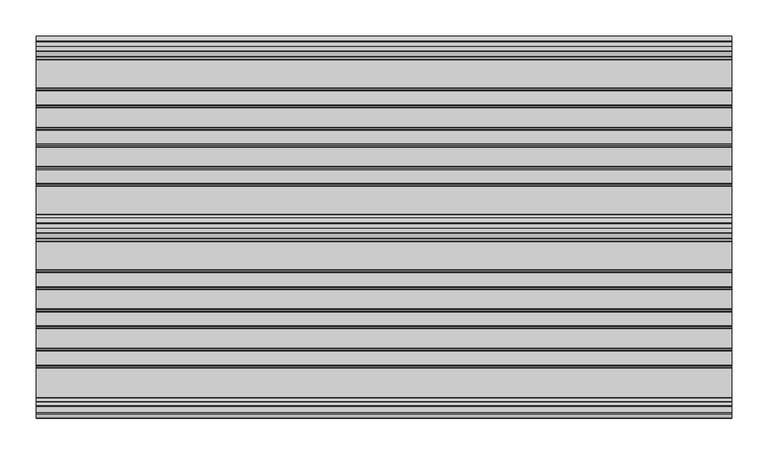
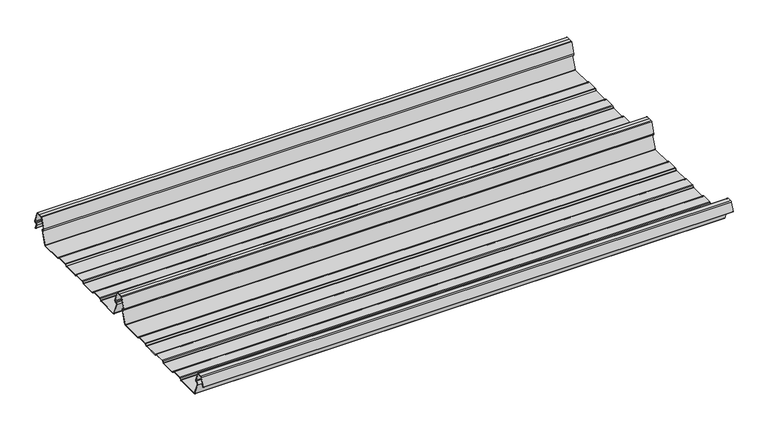
"""IFC4 building model written with IfcOpenShell, lengths in millimetres: beam geometry."""

import ifcopenshell
import ifcopenshell.guid

model = None  # the IFC model being written
_history = None  # IfcOwnerHistory: only IFC2X3 demands one
_inside = {}  # id of a spatial element -> (the spatial element, [elements in it])
_under = {}  # id of a project, library or spatial element -> (it, [spatial elements below it])
_declared = {}  # id of a project -> (the project, [libraries it declares])
_typed = {}  # id of a type object -> (the type object, [elements of that type])
_made_of = {}  # id of a material, layer set ... -> (it, [elements and type objects made of it])


def new_model(schema):
    """Start an empty IFC model of exactly this schema.

    Asked for "IFC4X3", IfcOpenShell would pick the latest addendum, in which some entities
    have other attributes; the version numbers below select the first issue.
    IFC2X3 requires an IfcOwnerHistory on every rooted entity: one is made here for all.
    """
    global model, _history
    if schema == "IFC4X3":
        model = ifcopenshell.file(schema_version=(4, 3, 0, 0))
    else:
        model = ifcopenshell.file(schema=schema)
    _inside.clear()
    _under.clear()
    _declared.clear()
    _typed.clear()
    _made_of.clear()
    _history = None
    if model.schema == "IFC2X3":
        org = make("IfcOrganization", Name="unknown")
        user = make(
            "IfcPersonAndOrganization",
            ThePerson=make("IfcPerson", FamilyName="unknown"),
            TheOrganization=org,
        )
        app = make(
            "IfcApplication",
            ApplicationDeveloper=org,
            Version="unknown",
            ApplicationFullName="unknown",
            ApplicationIdentifier="unknown",
        )
        _history = make(
            "IfcOwnerHistory",
            OwningUser=user,
            OwningApplication=app,
            ChangeAction="ADDED",
            CreationDate=0,
        )
    return model


def make(cls, **values):
    """One entity of the class cls with the attributes given. An attribute that is None is left unset."""
    return model.create_entity(
        cls, **{name: value for name, value in values.items() if value is not None}
    )


def rooted(cls, **values):
    """An entity with a GlobalId (a new one), such as an element, a storey or a relation."""
    return make(cls, GlobalId=ifcopenshell.guid.new(), OwnerHistory=_history, **values)


def si_unit(unit_type, name, prefix=None):
    """IfcSIUnit, for example si_unit("LENGTHUNIT", "METRE", prefix="MILLI")."""
    return make("IfcSIUnit", UnitType=unit_type, Prefix=prefix, Name=name)


def assignment(units):
    """IfcUnitAssignment: the units of a project."""
    return None if units is None else make("IfcUnitAssignment", Units=units)


def point(xyz):
    """IfcCartesianPoint."""
    return None if xyz is None else make("IfcCartesianPoint", Coordinates=xyz)


def direction(xyz):
    """IfcDirection."""
    return None if xyz is None else make("IfcDirection", DirectionRatios=xyz)


def frame(location, z_axis=None, x_axis=None):
    """IfcAxis2Placement3D, a coordinate frame: its origin and axes. An axis left out is left unset."""
    return make(
        "IfcAxis2Placement3D",
        Location=point(location),
        Axis=direction(z_axis),
        RefDirection=direction(x_axis),
    )


def frame_2d(location, x_axis=None):
    """IfcAxis2Placement2D, a coordinate frame in the plane: its origin and x axis."""
    return make(
        "IfcAxis2Placement2D", Location=point(location), RefDirection=direction(x_axis)
    )


def origin():
    """The frame at (0, 0, 0) with its axes left unset."""
    return frame((0.0, 0.0, 0.0))


def place(relative_to, where):
    """IfcLocalPlacement: puts the frame where relative to a parent placement (None: the world)."""
    return make(
        "IfcLocalPlacement", PlacementRelTo=relative_to, RelativePlacement=where
    )


def context(
    kind, dimensions, precision=None, world=None, true_north=None, identifier=None
):
    """IfcGeometricRepresentationContext, for example the 3D "Model" context."""
    return make(
        "IfcGeometricRepresentationContext",
        ContextIdentifier=identifier,
        ContextType=kind,
        CoordinateSpaceDimension=dimensions,
        Precision=precision,
        WorldCoordinateSystem=world,
        TrueNorth=true_north,
    )


def project(units=None, contexts=None):
    """IfcProject with its units and contexts."""
    return rooted(
        "IfcProject",
        Name="project",
        RepresentationContexts=contexts,
        UnitsInContext=assignment(units),
    )


def spatial(cls, under=None, at=None, **own):
    """A site, building, storey or space (cls), placed at a placement, below another one or the project."""
    s = rooted(cls, ObjectPlacement=at, **own)
    if under is not None:
        _under.setdefault(under.id(), (under, []))[1].append(s)
    return s


def polyline(points):
    """IfcPolyline through the points."""
    return make("IfcPolyline", Points=[point(p) for p in points])


def circle_curve(where, radius):
    """IfcCircle in the frame where."""
    return make("IfcCircle", Position=where, Radius=radius)


def trimmed(basis, trim1, trim2, sense, master):
    """IfcTrimmedCurve: the piece of a basis curve between two trims."""
    return make(
        "IfcTrimmedCurve",
        BasisCurve=basis,
        Trim1=trim1,
        Trim2=trim2,
        SenseAgreement=sense,
        MasterRepresentation=master,
    )


def segment(curve, same_sense, transition):
    """IfcCompositeCurveSegment."""
    return make(
        "IfcCompositeCurveSegment",
        Transition=transition,
        SameSense=same_sense,
        ParentCurve=curve,
    )


def composite_curve(segments, self_intersect=None):
    """IfcCompositeCurve: segments joined end to end."""
    return make("IfcCompositeCurve", Segments=segments, SelfIntersect=self_intersect)


def outline(outer, holes=None, kind="AREA"):
    """IfcArbitraryClosedProfileDef: a profile drawn as a closed curve; with holes, ...WithVoids."""
    if holes is None:
        return make("IfcArbitraryClosedProfileDef", ProfileType=kind, OuterCurve=outer)
    return make(
        "IfcArbitraryProfileDefWithVoids",
        ProfileType=kind,
        OuterCurve=outer,
        InnerCurves=holes,
    )


def extrude(swept, where, along, depth):
    """IfcExtrudedAreaSolid: the profile swept, set in the frame where, extruded along a direction by depth."""
    return make(
        "IfcExtrudedAreaSolid",
        SweptArea=swept,
        Position=where,
        ExtrudedDirection=direction(along),
        Depth=depth,
    )


def shape(context_of_items, identifier, shape_type, items):
    """IfcShapeRepresentation: the items that make up one representation, for example the "Body"."""
    return make(
        "IfcShapeRepresentation",
        ContextOfItems=context_of_items,
        RepresentationIdentifier=identifier,
        RepresentationType=shape_type,
        Items=items,
    )


def source(mapping_origin, context_of_items, identifier, shape_type, items):
    """IfcRepresentationMap: a shape defined once, which mapped items show again and again."""
    return make(
        "IfcRepresentationMap",
        MappingOrigin=mapping_origin,
        MappedRepresentation=shape(context_of_items, identifier, shape_type, items),
    )


def transform(
    local_origin,
    x_axis=None,
    y_axis=None,
    z_axis=None,
    scale=None,
    scale2=None,
    scale3=None,
    uniform=True,
):
    """IfcCartesianTransformationOperator3D, or its non-uniform kind. x_axis, y_axis, z_axis: its Axis1, 2, 3."""
    if uniform:
        return make(
            "IfcCartesianTransformationOperator3D",
            Axis1=direction(x_axis),
            Axis2=direction(y_axis),
            LocalOrigin=point(local_origin),
            Scale=scale,
            Axis3=direction(z_axis),
        )
    return make(
        "IfcCartesianTransformationOperator3DnonUniform",
        Axis1=direction(x_axis),
        Axis2=direction(y_axis),
        LocalOrigin=point(local_origin),
        Scale=scale,
        Axis3=direction(z_axis),
        Scale2=scale2,
        Scale3=scale3,
    )


def mapped(mapping_source, mapping_target):
    """IfcMappedItem: shows the shape of a source again, moved by a transform."""
    return make(
        "IfcMappedItem", MappingSource=mapping_source, MappingTarget=mapping_target
    )


def made_of(thing, what):
    """Note that an element or type object is made of a material, layer set ...; save() writes the relation."""
    if what is not None:
        _made_of.setdefault(what.id(), (what, []))[1].append(thing)
    return thing


def element(
    cls,
    number,
    at=None,
    inside=None,
    cuts=None,
    type_object=None,
    material=None,
    context=None,
    identifier="Body",
    shape_type=None,
    held_by="IfcProductDefinitionShape",
    body=None,
    shapes=None,
    **own,
):
    """One element of the class cls, such as IfcWall. Its Tag is "e" and its number.

    at: its placement. inside: the storey or other place that contains it. cuts: it is an
    opening in that element (IfcRelVoidsElement). A single representation is given by context,
    identifier, shape_type and body (its items); several are given by shapes. held_by: the class
    of the entity that holds the representations. save() writes the other relations.
    """
    e = rooted(cls, Tag="e%d" % number, ObjectPlacement=at, **own)
    if body is not None:
        shapes = [shape(context, identifier, shape_type, body)]
    if shapes is not None:
        e.Representation = make(held_by, Representations=shapes)
    if inside is not None:
        _inside.setdefault(inside.id(), (inside, []))[1].append(e)
    if cuts is not None:
        rooted(
            "IfcRelVoidsElement", RelatingBuildingElement=cuts, RelatedOpeningElement=e
        )
    if type_object is not None:
        _typed.setdefault(type_object.id(), (type_object, []))[1].append(e)
    return made_of(e, material)


def aggregate(whole, parts):
    """IfcRelAggregates: a whole, such as a stair, and the parts it consists of."""
    return rooted("IfcRelAggregates", RelatingObject=whole, RelatedObjects=parts)


def save(model, path):
    """Write the relations noted so far, then the file.

    IfcRelAggregates (storeys below a building ...), IfcRelContainedInSpatialStructure (elements
    in a storey), IfcRelDefinesByType, IfcRelAssociatesMaterial and IfcRelDeclares: one each for
    every whole, place, type object, material and project.
    """
    for whole, parts in _under.values():
        aggregate(whole, parts)
    for where, things in _inside.values():
        rooted(
            "IfcRelContainedInSpatialStructure",
            RelatedElements=things,
            RelatingStructure=where,
        )
    for kind, things in _typed.values():
        rooted("IfcRelDefinesByType", RelatedObjects=things, RelatingType=kind)
    for what, things in _made_of.values():
        rooted("IfcRelAssociatesMaterial", RelatedObjects=things, RelatingMaterial=what)
    for by, libraries in _declared.values():
        rooted("IfcRelDeclares", RelatingContext=by, RelatedDefinitions=libraries)
    model.write(path)


def beam_41f9361e(model_context):
    return source(origin(), model_context, "Body", "SweptSolid", [
        extrude(outline(composite_curve([segment(trimmed(circle_curve(frame_2d((-231.1362436, -24.0396475)), 1.75), [point((-231.1362436, -25.7896475))], [point((-232.7807057, -24.6381827))], False, "CARTESIAN"), True, "CONTINUOUS"), segment(polyline([(-232.7807057, -24.6381827), (-241.6888002, -2.1633943)]), True, "CONTINUOUS"), segment(trimmed(circle_curve(frame_2d((-240.0443381, -1.5648591)), 1.75), [point((-241.6888002, -2.1633943))], [point((-240.4972714, 0.1255111))], False, "CARTESIAN"), True, "CONTINUOUS"), segment(polyline([(-240.4972714, 0.1255111), (-237.8419476, 0.837003)]), True, "CONTINUOUS"), segment(trimmed(circle_curve(frame_2d((-238.1654714, 2.0444103)), 1.25), [point((-237.8419476, 0.837003))], [point((-236.9908556, 2.4719355))], True, "CARTESIAN"), True, "CONTINUOUS"), segment(polyline([(-236.9908556, 2.4719355), (-243.8110817, 21.2103525), (-250.0, 21.2103525), (-256.1889183, 21.2103525), (-263.0091444, 2.4719355)]), True, "CONTINUOUS"), segment(trimmed(circle_curve(frame_2d((-261.8345286, 2.0444103)), 1.25), [point((-263.0091444, 2.4719355))], [point((-262.1580524, 0.837003))], True, "CARTESIAN"), True, "CONTINUOUS"), segment(polyline([(-262.1580524, 0.837003), (-259.5027286, 0.1255111)]), True, "CONTINUOUS"), segment(trimmed(circle_curve(frame_2d((-259.9556619, -1.5648591)), 1.75), [point((-259.5027286, 0.1255111))], [point((-258.3111998, -2.1633943))], False, "CARTESIAN"), True, "CONTINUOUS"), segment(polyline([(-258.3111998, -2.1633943), (-267.2192943, -24.6381827)]), True, "CONTINUOUS"), segment(trimmed(circle_curve(frame_2d((-268.8637564, -24.0396475)), 1.75), [point((-267.2192943, -24.6381827))], [point((-268.8637564, -25.7896475))], False, "CARTESIAN"), True, "CONTINUOUS"), segment(polyline([(-268.8637564, -25.7896475), (-307.3786797, -25.7896475)]), True, "CONTINUOUS"), segment(trimmed(circle_curve(frame_2d((-307.3786797, -24.0396475)), 1.75), [point((-307.3786797, -25.7896475))], [point((-308.6161165, -25.2770843))], False, "CARTESIAN"), True, "CONTINUOUS"), segment(polyline([(-308.6161165, -25.2770843), (-310.7788845, -23.1143163)]), True, "CONTINUOUS"), segment(trimmed(circle_curve(frame_2d((-311.5627045, -23.8981363)), 1.1084889), [point((-310.7788845, -23.1143163))], [point((-311.5627045, -22.7896475))], True, "CARTESIAN"), True, "CONTINUOUS"), segment(polyline([(-311.5627045, -22.7896475), (-330.4372955, -22.7896475)]), True, "CONTINUOUS"), segment(trimmed(circle_curve(frame_2d((-330.4372955, -23.8981363)), 1.1084889), [point((-330.4372955, -22.7896475))], [point((-331.2211155, -23.1143163))], True, "CARTESIAN"), True, "CONTINUOUS"), segment(polyline([(-331.2211155, -23.1143163), (-333.3838835, -25.2770843)]), True, "CONTINUOUS"), segment(trimmed(circle_curve(frame_2d((-334.6213203, -24.0396475)), 1.75), [point((-333.3838835, -25.2770843))], [point((-334.6213203, -25.7896475))], False, "CARTESIAN"), True, "CONTINUOUS"), segment(polyline([(-334.6213203, -25.7896475), (-361.3786797, -25.7896475)]), True, "CONTINUOUS"), segment(trimmed(circle_curve(frame_2d((-361.3786797, -24.0396475)), 1.75), [point((-361.3786797, -25.7896475))], [point((-362.6161165, -25.2770843))], False, "CARTESIAN"), True, "CONTINUOUS"), segment(polyline([(-362.6161165, -25.2770843), (-364.7788845, -23.1143163)]), True, "CONTINUOUS"), segment(trimmed(circle_curve(frame_2d((-365.5627045, -23.8981363)), 1.1084889), [point((-364.7788845, -23.1143163))], [point((-365.5627045, -22.7896475))], True, "CARTESIAN"), True, "CONTINUOUS"), segment(polyline([(-365.5627045, -22.7896475), (-384.4372955, -22.7896475)]), True, "CONTINUOUS"), segment(trimmed(circle_curve(frame_2d((-384.4372955, -23.8981363)), 1.1084889), [point((-384.4372955, -22.7896475))], [point((-385.2211155, -23.1143163))], True, "CARTESIAN"), True, "CONTINUOUS"), segment(polyline([(-385.2211155, -23.1143163), (-387.3838835, -25.2770843)]), True, "CONTINUOUS"), segment(trimmed(circle_curve(frame_2d((-388.6213203, -24.0396475)), 1.75), [point((-387.3838835, -25.2770843))], [point((-388.6213203, -25.7896475))], False, "CARTESIAN"), True, "CONTINUOUS"), segment(polyline([(-388.6213203, -25.7896475), (-415.3786797, -25.7896475)]), True, "CONTINUOUS"), segment(trimmed(circle_curve(frame_2d((-415.3786797, -24.0396475)), 1.75), [point((-415.3786797, -25.7896475))], [point((-416.6161165, -25.2770843))], False, "CARTESIAN"), True, "CONTINUOUS"), segment(polyline([(-416.6161165, -25.2770843), (-418.7788845, -23.1143163)]), True, "CONTINUOUS"), segment(trimmed(circle_curve(frame_2d((-419.5627045, -23.8981363)), 1.1084889), [point((-418.7788845, -23.1143163))], [point((-419.5627045, -22.7896475))], True, "CARTESIAN"), True, "CONTINUOUS"), segment(polyline([(-419.5627045, -22.7896475), (-438.4372955, -22.7896475)]), True, "CONTINUOUS"), segment(trimmed(circle_curve(frame_2d((-438.4372955, -23.8981363)), 1.1084889), [point((-438.4372955, -22.7896475))], [point((-439.2211155, -23.1143163))], True, "CARTESIAN"), True, "CONTINUOUS"), segment(polyline([(-439.2211155, -23.1143163), (-441.3838835, -25.2770843)]), True, "CONTINUOUS"), segment(trimmed(circle_curve(frame_2d((-442.6213203, -24.0396475)), 1.75), [point((-441.3838835, -25.2770843))], [point((-442.6213203, -25.7896475))], False, "CARTESIAN"), True, "CONTINUOUS"), segment(polyline([(-442.6213203, -25.7896475), (-483.287616, -25.7896475)]), True, "CONTINUOUS"), segment(trimmed(circle_curve(frame_2d((-483.287616, -24.0396475)), 1.75), [point((-483.287616, -25.7896475))], [point((-484.8955882, -24.7302452))], False, "CARTESIAN"), True, "CONTINUOUS"), segment(polyline([(-484.8955882, -24.7302452), (-493.5565428, -2.8789816)]), True, "CONTINUOUS"), segment(trimmed(circle_curve(frame_2d((-490.0443381, -1.5648591)), 3.75), [point((-493.5565428, -2.8789816))], [point((-490.3464639, 2.1729504))], False, "CARTESIAN"), True, "CONTINUOUS"), segment(trimmed(circle_curve(frame_2d((-490.426413, 3.162057)), 0.9923325), [point((-490.3464639, 2.1729504))], [point((-489.4939255, 3.5014547))], True, "CARTESIAN"), True, "CONTINUOUS"), segment(polyline([(-489.4939255, 3.5014547), (-494.9720116, 18.5523727)]), True, "CONTINUOUS"), segment(trimmed(circle_curve(frame_2d((-495.9117043, 18.2103525)), 1.0), [point((-494.9720116, 18.5523727))], [point((-495.9117043, 19.2103525))], True, "CARTESIAN"), True, "CONTINUOUS"), segment(polyline([(-495.9117043, 19.2103525), (-504.0882957, 19.2103525)]), True, "CONTINUOUS"), segment(trimmed(circle_curve(frame_2d((-504.0882957, 18.2103525)), 1.0), [point((-504.0882957, 19.2103525))], [point((-505.0279884, 18.5523727))], True, "CARTESIAN"), True, "CONTINUOUS"), segment(polyline([(-505.0279884, 18.5523727), (-510.4799156, 3.5733257)]), True, "CONTINUOUS"), segment(trimmed(circle_curve(frame_2d((-510.9497619, 3.7443357)), 0.5), [point((-510.4799156, 3.5733257))], [point((-511.4196082, 3.9153458))], False, "CARTESIAN"), True, "CONTINUOUS"), segment(polyline([(-511.4196082, 3.9153458), (-505.967681, 18.8943928)]), True, "CONTINUOUS"), segment(trimmed(circle_curve(frame_2d((-504.0882957, 18.2103525)), 2.0), [point((-505.967681, 18.8943928))], [point((-504.0882957, 20.2103525))], False, "CARTESIAN"), True, "CONTINUOUS"), segment(polyline([(-504.0882957, 20.2103525), (-495.9117043, 20.2103525)]), True, "CONTINUOUS"), segment(trimmed(circle_curve(frame_2d((-495.9117043, 18.2103525)), 2.0), [point((-495.9117043, 20.2103525))], [point((-494.032319, 18.8943928))], False, "CARTESIAN"), True, "CONTINUOUS"), segment(polyline([(-494.032319, 18.8943928), (-488.5542329, 3.8434749)]), True, "CONTINUOUS"), segment(trimmed(circle_curve(frame_2d((-490.426413, 3.162057)), 1.9923325), [point((-488.5542329, 3.8434749))], [point((-490.265897, 1.1762012))], False, "CARTESIAN"), True, "CONTINUOUS"), segment(trimmed(circle_curve(frame_2d((-490.0443381, -1.5648591)), 2.75), [point((-490.265897, 1.1762012))], [point((-492.6230664, -2.5201915))], True, "CARTESIAN"), True, "CONTINUOUS"), segment(polyline([(-492.6230664, -2.5201915), (-483.9722515, -24.3458733)]), True, "CONTINUOUS"), segment(trimmed(circle_curve(frame_2d((-483.287616, -24.0396475)), 0.75), [point((-483.9722515, -24.3458733))], [point((-483.287616, -24.7896475))], True, "CARTESIAN"), True, "CONTINUOUS"), segment(polyline([(-483.287616, -24.7896475), (-442.7420401, -24.7896475)]), True, "CONTINUOUS"), segment(trimmed(circle_curve(frame_2d((-442.7420401, -23.7482041)), 1.0414433), [point((-442.7420401, -24.7896475))], [point((-442.0056285, -24.4846158))], True, "CARTESIAN"), True, "CONTINUOUS"), segment(polyline([(-442.0056285, -24.4846158), (-439.9696699, -22.4486572)]), True, "CONTINUOUS"), segment(trimmed(circle_curve(frame_2d((-438.3786797, -24.0396475)), 2.25), [point((-439.9696699, -22.4486572))], [point((-438.3786797, -21.7896475))], False, "CARTESIAN"), True, "CONTINUOUS"), segment(polyline([(-438.3786797, -21.7896475), (-419.6213203, -21.7896475)]), True, "CONTINUOUS"), segment(trimmed(circle_curve(frame_2d((-419.6213203, -24.0396475)), 2.25), [point((-419.6213203, -21.7896475))], [point((-418.0303301, -22.4486572))], False, "CARTESIAN"), True, "CONTINUOUS"), segment(polyline([(-418.0303301, -22.4486572), (-415.9943715, -24.4846158)]), True, "CONTINUOUS"), segment(trimmed(circle_curve(frame_2d((-415.2579599, -23.7482041)), 1.0414433), [point((-415.9943715, -24.4846158))], [point((-415.2579599, -24.7896475))], True, "CARTESIAN"), True, "CONTINUOUS"), segment(polyline([(-415.2579599, -24.7896475), (-388.7420401, -24.7896475)]), True, "CONTINUOUS"), segment(trimmed(circle_curve(frame_2d((-388.7420401, -23.7482041)), 1.0414433), [point((-388.7420401, -24.7896475))], [point((-388.0056285, -24.4846158))], True, "CARTESIAN"), True, "CONTINUOUS"), segment(polyline([(-388.0056285, -24.4846158), (-385.9696699, -22.4486572)]), True, "CONTINUOUS"), segment(trimmed(circle_curve(frame_2d((-384.3786797, -24.0396475)), 2.25), [point((-385.9696699, -22.4486572))], [point((-384.3786797, -21.7896475))], False, "CARTESIAN"), True, "CONTINUOUS"), segment(polyline([(-384.3786797, -21.7896475), (-365.6213203, -21.7896475)]), True, "CONTINUOUS"), segment(trimmed(circle_curve(frame_2d((-365.6213203, -24.0396475)), 2.25), [point((-365.6213203, -21.7896475))], [point((-364.0303301, -22.4486572))], False, "CARTESIAN"), True, "CONTINUOUS"), segment(polyline([(-364.0303301, -22.4486572), (-361.9943715, -24.4846158)]), True, "CONTINUOUS"), segment(trimmed(circle_curve(frame_2d((-361.2579599, -23.7482041)), 1.0414433), [point((-361.9943715, -24.4846158))], [point((-361.2579599, -24.7896475))], True, "CARTESIAN"), True, "CONTINUOUS"), segment(polyline([(-361.2579599, -24.7896475), (-334.7420401, -24.7896475)]), True, "CONTINUOUS"), segment(trimmed(circle_curve(frame_2d((-334.7420401, -23.7482041)), 1.0414433), [point((-334.7420401, -24.7896475))], [point((-334.0056285, -24.4846158))], True, "CARTESIAN"), True, "CONTINUOUS"), segment(polyline([(-334.0056285, -24.4846158), (-331.9696699, -22.4486572)]), True, "CONTINUOUS"), segment(trimmed(circle_curve(frame_2d((-330.3786797, -24.0396475)), 2.25), [point((-331.9696699, -22.4486572))], [point((-330.3786797, -21.7896475))], False, "CARTESIAN"), True, "CONTINUOUS"), segment(polyline([(-330.3786797, -21.7896475), (-311.6213203, -21.7896475)]), True, "CONTINUOUS"), segment(trimmed(circle_curve(frame_2d((-311.6213203, -24.0396475)), 2.25), [point((-311.6213203, -21.7896475))], [point((-310.0303301, -22.4486572))], False, "CARTESIAN"), True, "CONTINUOUS"), segment(polyline([(-310.0303301, -22.4486572), (-307.9943715, -24.4846158)]), True, "CONTINUOUS"), segment(trimmed(circle_curve(frame_2d((-307.2579599, -23.7482041)), 1.0414433), [point((-307.9943715, -24.4846158))], [point((-307.2579599, -24.7896475))], True, "CARTESIAN"), True, "CONTINUOUS"), segment(polyline([(-307.2579599, -24.7896475), (-268.8637564, -24.7896475)]), True, "CONTINUOUS"), segment(trimmed(circle_curve(frame_2d((-268.8637564, -24.0396475)), 0.75), [point((-268.8637564, -24.7896475))], [point((-268.1552359, -24.2856122))], True, "CARTESIAN"), True, "CONTINUOUS"), segment(polyline([(-268.1552359, -24.2856122), (-259.2471414, -1.8108238)]), True, "CONTINUOUS"), segment(trimmed(circle_curve(frame_2d((-259.9556619, -1.5648591)), 0.75), [point((-259.2471414, -1.8108238))], [point((-259.7615476, -0.8404147))], True, "CARTESIAN"), True, "CONTINUOUS"), segment(polyline([(-259.7615476, -0.8404147), (-262.4168715, -0.1289228)]), True, "CONTINUOUS"), segment(trimmed(circle_curve(frame_2d((-261.8345286, 2.0444103)), 2.25), [point((-262.4168715, -0.1289228))], [point((-263.948837, 2.8139556))], False, "CARTESIAN"), True, "CONTINUOUS"), segment(polyline([(-263.948837, 2.8139556), (-257.1273286, 21.5558959)]), True, "CONTINUOUS"), segment(trimmed(circle_curve(frame_2d((-256.1926676, 21.2157071)), 0.9946455), [point((-257.1273286, 21.5558959))], [point((-256.1926676, 22.2103525))], False, "CARTESIAN"), True, "CONTINUOUS"), segment(polyline([(-256.1926676, 22.2103525), (-250.0, 22.2103525), (-243.8073324, 22.2103525)]), True, "CONTINUOUS"), segment(trimmed(circle_curve(frame_2d((-243.8073324, 21.2157071)), 0.9946455), [point((-243.8073324, 22.2103525))], [point((-242.8726714, 21.5558959))], False, "CARTESIAN"), True, "CONTINUOUS"), segment(polyline([(-242.8726714, 21.5558959), (-236.051163, 2.8139556)]), True, "CONTINUOUS"), segment(trimmed(circle_curve(frame_2d((-238.1654714, 2.0444103)), 2.25), [point((-236.051163, 2.8139556))], [point((-237.5831285, -0.1289228))], False, "CARTESIAN"), True, "CONTINUOUS"), segment(polyline([(-237.5831285, -0.1289228), (-240.2384524, -0.8404147)]), True, "CONTINUOUS"), segment(trimmed(circle_curve(frame_2d((-240.0443381, -1.5648591)), 0.75), [point((-240.2384524, -0.8404147))], [point((-240.7528586, -1.8108238))], True, "CARTESIAN"), True, "CONTINUOUS"), segment(polyline([(-240.7528586, -1.8108238), (-231.8447641, -24.2856122)]), True, "CONTINUOUS"), segment(trimmed(circle_curve(frame_2d((-231.1362436, -24.0396475)), 0.75), [point((-231.8447641, -24.2856122))], [point((-231.1362436, -24.7896475))], True, "CARTESIAN"), True, "CONTINUOUS"), segment(polyline([(-231.1362436, -24.7896475), (-192.7420401, -24.7896475)]), True, "CONTINUOUS"), segment(trimmed(circle_curve(frame_2d((-192.7420401, -23.7482041)), 1.0414433), [point((-192.7420401, -24.7896475))], [point((-192.0056285, -24.4846158))], True, "CARTESIAN"), True, "CONTINUOUS"), segment(polyline([(-192.0056285, -24.4846158), (-189.9696699, -22.4486572)]), True, "CONTINUOUS"), segment(trimmed(circle_curve(frame_2d((-188.3786797, -24.0396475)), 2.25), [point((-189.9696699, -22.4486572))], [point((-188.3786797, -21.7896475))], False, "CARTESIAN"), True, "CONTINUOUS"), segment(polyline([(-188.3786797, -21.7896475), (-169.6213203, -21.7896475)]), True, "CONTINUOUS"), segment(trimmed(circle_curve(frame_2d((-169.6213203, -24.0396475)), 2.25), [point((-169.6213203, -21.7896475))], [point((-168.0303301, -22.4486572))], False, "CARTESIAN"), True, "CONTINUOUS"), segment(polyline([(-168.0303301, -22.4486572), (-165.9943715, -24.4846158)]), True, "CONTINUOUS"), segment(trimmed(circle_curve(frame_2d((-165.2579599, -23.7482041)), 1.0414433), [point((-165.9943715, -24.4846158))], [point((-165.2579599, -24.7896475))], True, "CARTESIAN"), True, "CONTINUOUS"), segment(polyline([(-165.2579599, -24.7896475), (-138.7420401, -24.7896475)]), True, "CONTINUOUS"), segment(trimmed(circle_curve(frame_2d((-138.7420401, -23.7482041)), 1.0414433), [point((-138.7420401, -24.7896475))], [point((-138.0056285, -24.4846158))], True, "CARTESIAN"), True, "CONTINUOUS"), segment(polyline([(-138.0056285, -24.4846158), (-135.9696699, -22.4486572)]), True, "CONTINUOUS"), segment(trimmed(circle_curve(frame_2d((-134.3786797, -24.0396475)), 2.25), [point((-135.9696699, -22.4486572))], [point((-134.3786797, -21.7896475))], False, "CARTESIAN"), True, "CONTINUOUS"), segment(polyline([(-134.3786797, -21.7896475), (-115.6213203, -21.7896475)]), True, "CONTINUOUS"), segment(trimmed(circle_curve(frame_2d((-115.6213203, -24.0396475)), 2.25), [point((-115.6213203, -21.7896475))], [point((-114.0303301, -22.4486572))], False, "CARTESIAN"), True, "CONTINUOUS"), segment(polyline([(-114.0303301, -22.4486572), (-111.9943715, -24.4846158)]), True, "CONTINUOUS"), segment(trimmed(circle_curve(frame_2d((-111.2579599, -23.7482041)), 1.0414433), [point((-111.9943715, -24.4846158))], [point((-111.2579599, -24.7896475))], True, "CARTESIAN"), True, "CONTINUOUS"), segment(polyline([(-111.2579599, -24.7896475), (-84.7420401, -24.7896475)]), True, "CONTINUOUS"), segment(trimmed(circle_curve(frame_2d((-84.7420401, -23.7482041)), 1.0414433), [point((-84.7420401, -24.7896475))], [point((-84.0056285, -24.4846158))], True, "CARTESIAN"), True, "CONTINUOUS"), segment(polyline([(-84.0056285, -24.4846158), (-81.9696699, -22.4486572)]), True, "CONTINUOUS"), segment(trimmed(circle_curve(frame_2d((-80.3786797, -24.0396475)), 2.25), [point((-81.9696699, -22.4486572))], [point((-80.3786797, -21.7896475))], False, "CARTESIAN"), True, "CONTINUOUS"), segment(polyline([(-80.3786797, -21.7896475), (-61.6213203, -21.7896475)]), True, "CONTINUOUS"), segment(trimmed(circle_curve(frame_2d((-61.6213203, -24.0396475)), 2.25), [point((-61.6213203, -21.7896475))], [point((-60.0303301, -22.4486572))], False, "CARTESIAN"), True, "CONTINUOUS"), segment(polyline([(-60.0303301, -22.4486572), (-57.9943715, -24.4846158)]), True, "CONTINUOUS"), segment(trimmed(circle_curve(frame_2d((-57.2579599, -23.7482041)), 1.0414433), [point((-57.9943715, -24.4846158))], [point((-57.2579599, -24.7896475))], True, "CARTESIAN"), True, "CONTINUOUS"), segment(polyline([(-57.2579599, -24.7896475), (-18.8637564, -24.7896475)]), True, "CONTINUOUS"), segment(trimmed(circle_curve(frame_2d((-18.8637564, -24.0396475)), 0.75), [point((-18.8637564, -24.7896475))], [point((-18.1552359, -24.2856122))], True, "CARTESIAN"), True, "CONTINUOUS"), segment(polyline([(-18.1552359, -24.2856122), (-9.2471414, -1.8108238)]), True, "CONTINUOUS"), segment(trimmed(circle_curve(frame_2d((-9.9556619, -1.5648591)), 0.75), [point((-9.2471414, -1.8108238))], [point((-9.7615476, -0.8404147))], True, "CARTESIAN"), True, "CONTINUOUS"), segment(polyline([(-9.7615476, -0.8404147), (-12.4168715, -0.1289228)]), True, "CONTINUOUS"), segment(trimmed(circle_curve(frame_2d((-11.8345286, 2.0444103)), 2.25), [point((-12.4168715, -0.1289228))], [point((-13.948837, 2.8139556))], False, "CARTESIAN"), True, "CONTINUOUS"), segment(polyline([(-13.948837, 2.8139556), (-7.1273286, 21.5558959)]), True, "CONTINUOUS"), segment(trimmed(circle_curve(frame_2d((-6.1926676, 21.2157071)), 0.9946455), [point((-7.1273286, 21.5558959))], [point((-6.1926676, 22.2103525))], False, "CARTESIAN"), True, "CONTINUOUS"), segment(polyline([(-6.1926676, 22.2103525), (0.0, 22.2103525), (6.1926676, 22.2103525)]), True, "CONTINUOUS"), segment(trimmed(circle_curve(frame_2d((6.1926676, 21.2157071)), 0.9946455), [point((6.1926676, 22.2103525))], [point((7.1273286, 21.5558959))], False, "CARTESIAN"), True, "CONTINUOUS"), segment(polyline([(7.1273286, 21.5558959), (13.948837, 2.8139556)]), True, "CONTINUOUS"), segment(trimmed(circle_curve(frame_2d((11.8345286, 2.0444103)), 2.25), [point((13.948837, 2.8139556))], [point((12.4168715, -0.1289228))], False, "CARTESIAN"), True, "CONTINUOUS"), segment(polyline([(12.4168715, -0.1289228), (9.7615476, -0.8404147)]), True, "CONTINUOUS"), segment(trimmed(circle_curve(frame_2d((9.9556619, -1.5648591)), 0.75), [point((9.7615476, -0.8404147))], [point((9.2471414, -1.8108238))], True, "CARTESIAN"), True, "CONTINUOUS"), segment(polyline([(9.2471414, -1.8108238), (12.5127954, -10.0499465)]), True, "CONTINUOUS"), segment(trimmed(circle_curve(frame_2d((12.0479758, -10.2341821)), 0.5), [point((12.5127954, -10.0499465))], [point((11.5831563, -10.4184177))], False, "CARTESIAN"), True, "CONTINUOUS"), segment(polyline([(11.5831563, -10.4184177), (8.3111998, -2.1633943)]), True, "CONTINUOUS"), segment(trimmed(circle_curve(frame_2d((9.9556619, -1.5648591)), 1.75), [point((8.3111998, -2.1633943))], [point((9.5027286, 0.1255111))], False, "CARTESIAN"), True, "CONTINUOUS"), segment(polyline([(9.5027286, 0.1255111), (12.1580524, 0.837003)]), True, "CONTINUOUS"), segment(trimmed(circle_curve(frame_2d((11.8345286, 2.0444103)), 1.25), [point((12.1580524, 0.837003))], [point((13.0091444, 2.4719355))], True, "CARTESIAN"), True, "CONTINUOUS"), segment(polyline([(13.0091444, 2.4719355), (6.1889183, 21.2103525), (0.0, 21.2103525), (-6.1889183, 21.2103525), (-13.0091444, 2.4719355)]), True, "CONTINUOUS"), segment(trimmed(circle_curve(frame_2d((-11.8345286, 2.0444103)), 1.25), [point((-13.0091444, 2.4719355))], [point((-12.1580524, 0.837003))], True, "CARTESIAN"), True, "CONTINUOUS"), segment(polyline([(-12.1580524, 0.837003), (-9.5027286, 0.1255111)]), True, "CONTINUOUS"), segment(trimmed(circle_curve(frame_2d((-9.9556619, -1.5648591)), 1.75), [point((-9.5027286, 0.1255111))], [point((-8.3111998, -2.1633943))], False, "CARTESIAN"), True, "CONTINUOUS"), segment(polyline([(-8.3111998, -2.1633943), (-17.2192943, -24.6381827)]), True, "CONTINUOUS"), segment(trimmed(circle_curve(frame_2d((-18.8637564, -24.0396475)), 1.75), [point((-17.2192943, -24.6381827))], [point((-18.8637564, -25.7896475))], False, "CARTESIAN"), True, "CONTINUOUS"), segment(polyline([(-18.8637564, -25.7896475), (-57.3786797, -25.7896475)]), True, "CONTINUOUS"), segment(trimmed(circle_curve(frame_2d((-57.3786797, -24.0396475)), 1.75), [point((-57.3786797, -25.7896475))], [point((-58.6161165, -25.2770843))], False, "CARTESIAN"), True, "CONTINUOUS"), segment(polyline([(-58.6161165, -25.2770843), (-60.7788845, -23.1143163)]), True, "CONTINUOUS"), segment(trimmed(circle_curve(frame_2d((-61.5627045, -23.8981363)), 1.1084889), [point((-60.7788845, -23.1143163))], [point((-61.5627045, -22.7896475))], True, "CARTESIAN"), True, "CONTINUOUS"), segment(polyline([(-61.5627045, -22.7896475), (-80.4372955, -22.7896475)]), True, "CONTINUOUS"), segment(trimmed(circle_curve(frame_2d((-80.4372955, -23.8981363)), 1.1084889), [point((-80.4372955, -22.7896475))], [point((-81.2211155, -23.1143163))], True, "CARTESIAN"), True, "CONTINUOUS"), segment(polyline([(-81.2211155, -23.1143163), (-83.3838835, -25.2770843)]), True, "CONTINUOUS"), segment(trimmed(circle_curve(frame_2d((-84.6213203, -24.0396475)), 1.75), [point((-83.3838835, -25.2770843))], [point((-84.6213203, -25.7896475))], False, "CARTESIAN"), True, "CONTINUOUS"), segment(polyline([(-84.6213203, -25.7896475), (-111.3786797, -25.7896475)]), True, "CONTINUOUS"), segment(trimmed(circle_curve(frame_2d((-111.3786797, -24.0396475)), 1.75), [point((-111.3786797, -25.7896475))], [point((-112.6161165, -25.2770843))], False, "CARTESIAN"), True, "CONTINUOUS"), segment(polyline([(-112.6161165, -25.2770843), (-114.7788845, -23.1143163)]), True, "CONTINUOUS"), segment(trimmed(circle_curve(frame_2d((-115.5627045, -23.8981363)), 1.1084889), [point((-114.7788845, -23.1143163))], [point((-115.5627045, -22.7896475))], True, "CARTESIAN"), True, "CONTINUOUS"), segment(polyline([(-115.5627045, -22.7896475), (-134.4372955, -22.7896475)]), True, "CONTINUOUS"), segment(trimmed(circle_curve(frame_2d((-134.4372955, -23.8981363)), 1.1084889), [point((-134.4372955, -22.7896475))], [point((-135.2211155, -23.1143163))], True, "CARTESIAN"), True, "CONTINUOUS"), segment(polyline([(-135.2211155, -23.1143163), (-137.3838835, -25.2770843)]), True, "CONTINUOUS"), segment(trimmed(circle_curve(frame_2d((-138.6213203, -24.0396475)), 1.75), [point((-137.3838835, -25.2770843))], [point((-138.6213203, -25.7896475))], False, "CARTESIAN"), True, "CONTINUOUS"), segment(polyline([(-138.6213203, -25.7896475), (-165.3786797, -25.7896475)]), True, "CONTINUOUS"), segment(trimmed(circle_curve(frame_2d((-165.3786797, -24.0396475)), 1.75), [point((-165.3786797, -25.7896475))], [point((-166.6161165, -25.2770843))], False, "CARTESIAN"), True, "CONTINUOUS"), segment(polyline([(-166.6161165, -25.2770843), (-168.7788845, -23.1143163)]), True, "CONTINUOUS"), segment(trimmed(circle_curve(frame_2d((-169.5627045, -23.8981363)), 1.1084889), [point((-168.7788845, -23.1143163))], [point((-169.5627045, -22.7896475))], True, "CARTESIAN"), True, "CONTINUOUS"), segment(polyline([(-169.5627045, -22.7896475), (-188.4372955, -22.7896475)]), True, "CONTINUOUS"), segment(trimmed(circle_curve(frame_2d((-188.4372955, -23.8981363)), 1.1084889), [point((-188.4372955, -22.7896475))], [point((-189.2211155, -23.1143163))], True, "CARTESIAN"), True, "CONTINUOUS"), segment(polyline([(-189.2211155, -23.1143163), (-191.3838835, -25.2770843)]), True, "CONTINUOUS"), segment(trimmed(circle_curve(frame_2d((-192.6213203, -24.0396475)), 1.75), [point((-191.3838835, -25.2770843))], [point((-192.6213203, -25.7896475))], False, "CARTESIAN"), True, "CONTINUOUS"), segment(polyline([(-192.6213203, -25.7896475), (-231.1362436, -25.7896475)]), True, "CONTINUOUS")], self_intersect=False)), frame((-477.7501815, 0.0, 0.0), z_axis=(1.0, 0.0, 0.0), x_axis=(0.0, 1.0, 0.0)), (0.0, 0.0, 1.0), 955.500363),
    ])


if __name__ == "__main__":
    model = new_model("IFC4")
    model_context = context("Model", 3, world=origin())
    ifc_project = project(units=[si_unit("LENGTHUNIT", "METRE", prefix="MILLI")], contexts=[model_context])
    site = spatial("IfcSite", under=ifc_project)
    building = spatial("IfcBuilding", under=site)
    placement = place(None, origin())
    beam_shape = beam_41f9361e(model_context)
    element("IfcBeam", 1, at=placement, inside=building, context=model_context, shape_type="MappedRepresentation", body=[
        mapped(beam_shape, transform((0.0, 0.0, 0.0), x_axis=(1.0, 0.0, 0.0), y_axis=(0.0, 1.0, 0.0), z_axis=(0.0, 0.0, 1.0))),
    ])
    save(model, "model.ifc")
